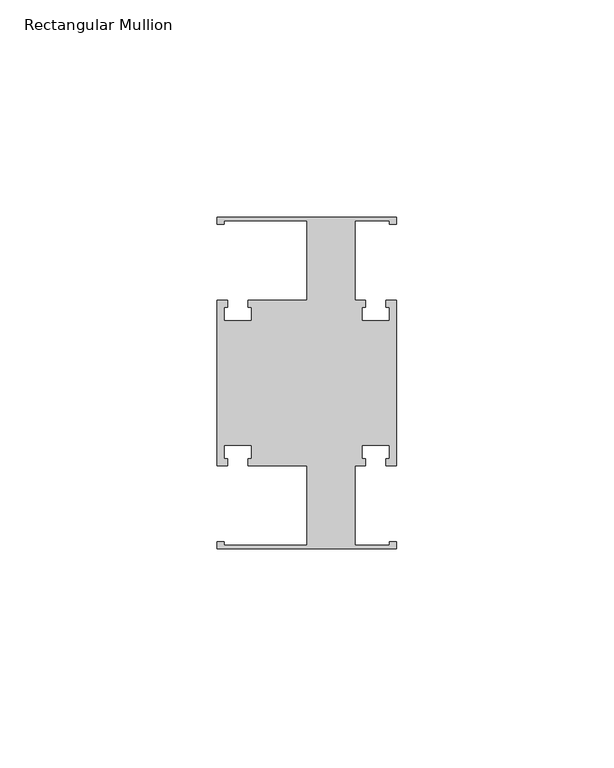
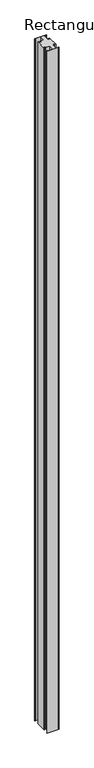
"""IFC4 building model written with IfcOpenShell, lengths in millimetres: member geometry, Rectangular Mullion."""

from ifc_helpers import new_model, si_unit, frame, origin, place, context, project, spatial, polyline, outline, extrude, source, transform, mapped, element, save


def rectangular_mullion_eef069d3(model_context):
    return source(origin(), model_context, "Body", "SweptSolid", [
        extrude(outline(polyline([(20.6375, -38.1), (-20.6375, -38.1), (-20.6375, -36.5125), (-19.05, -36.5125), (-19.05, -37.30625), (0.0, -37.30625), (0.0, -19.05), (-13.49375, -19.05), (-13.49375, -17.4625), (-12.7, -17.4625), (-12.7, -14.2875), (-19.05, -14.2875), (-19.05, -17.4625), (-18.25625, -17.4625), (-18.25625, -19.05), (-20.6375, -19.05), (-20.6375, 19.05), (-18.25625, 19.05), (-18.25625, 17.4625), (-19.05, 17.4625), (-19.05, 14.2875), (-12.7, 14.2875), (-12.7, 17.4625), (-13.49375, 17.4625), (-13.49375, 19.05), (0.0, 19.05), (0.0, 37.30625), (-19.05, 37.30625), (-19.05, 36.5125), (-20.6375, 36.5125), (-20.6375, 38.1), (20.6375, 38.1), (20.6375, 36.5125), (19.05, 36.5125), (19.05, 37.30625), (11.1125, 37.30625), (11.1125, 19.05), (13.49375, 19.05), (13.49375, 17.4625), (12.7, 17.4625), (12.7, 14.2875), (19.05, 14.2875), (19.05, 17.4625), (18.25625, 17.4625), (18.25625, 19.05), (20.6375, 19.05), (20.6375, -19.05), (18.25625, -19.05), (18.25625, -17.4625), (19.05, -17.4625), (19.05, -14.2875), (12.7, -14.2875), (12.7, -17.4625), (13.49375, -17.4625), (13.49375, -19.05), (11.1125, -19.05), (11.1125, -37.30625), (19.05, -37.30625), (19.05, -36.5125), (20.6375, -36.5125), (20.6375, -38.1)])), frame((0.0, 0.0, -2530.475), z_axis=(0.0, 0.0, 1.0), x_axis=(1.0, 0.0, 0.0)), (0.0, 0.0, 1.0), 2530.475),
    ])


if __name__ == "__main__":
    model = new_model("IFC4")
    model_context = context("Model", 3, world=origin())
    ifc_project = project(units=[si_unit("LENGTHUNIT", "METRE", prefix="MILLI")], contexts=[model_context])
    site = spatial("IfcSite", under=ifc_project)
    building = spatial("IfcBuilding", under=site)
    placement = place(None, origin())
    rectangular_mullion_shape = rectangular_mullion_eef069d3(model_context)
    element("IfcMember", 1, ObjectType="Rectangular Mullion", at=placement, inside=building, context=model_context, shape_type="MappedRepresentation", body=[
        mapped(rectangular_mullion_shape, transform((0.0, 0.0, 0.0), x_axis=(1.0, 0.0, 0.0), y_axis=(0.0, 1.0, 0.0), z_axis=(0.0, 0.0, 1.0))),
    ])
    save(model, "model.ifc")
